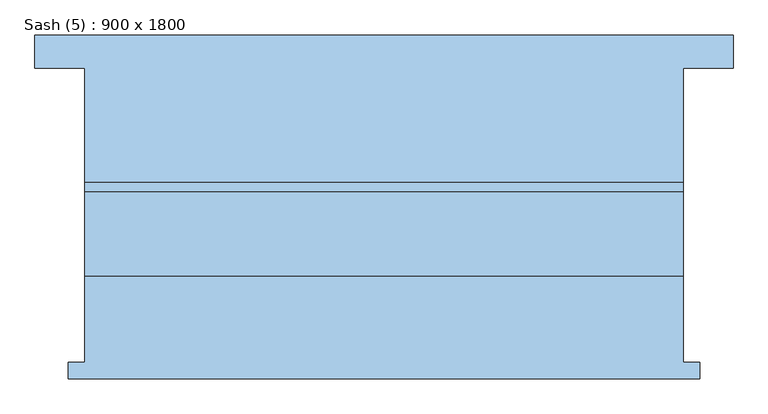
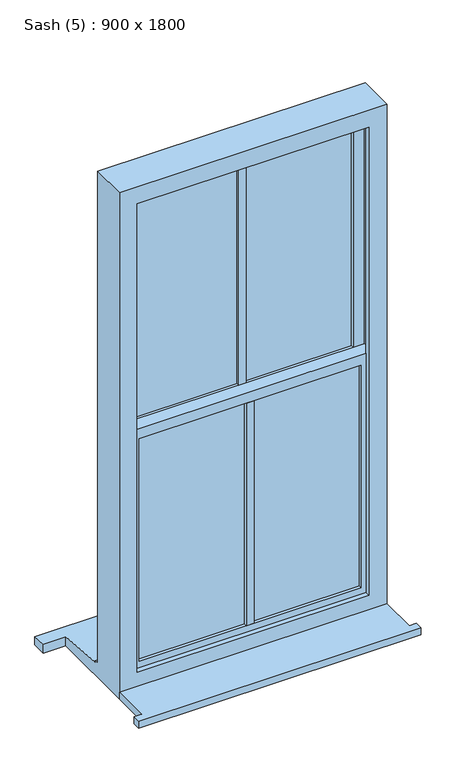
"""IFC4 building model written with IfcOpenShell, lengths in millimetres: window geometry, Sash (5) : 900 x 1800."""

import ifcopenshell
import ifcopenshell.guid

model = None  # the IFC model being written
_history = None  # IfcOwnerHistory: only IFC2X3 demands one
_inside = {}  # id of a spatial element -> (the spatial element, [elements in it])
_under = {}  # id of a project, library or spatial element -> (it, [spatial elements below it])
_declared = {}  # id of a project -> (the project, [libraries it declares])
_typed = {}  # id of a type object -> (the type object, [elements of that type])
_made_of = {}  # id of a material, layer set ... -> (it, [elements and type objects made of it])


def new_model(schema):
    """Start an empty IFC model of exactly this schema.

    Asked for "IFC4X3", IfcOpenShell would pick the latest addendum, in which some entities
    have other attributes; the version numbers below select the first issue.
    IFC2X3 requires an IfcOwnerHistory on every rooted entity: one is made here for all.
    """
    global model, _history
    if schema == "IFC4X3":
        model = ifcopenshell.file(schema_version=(4, 3, 0, 0))
    else:
        model = ifcopenshell.file(schema=schema)
    _inside.clear()
    _under.clear()
    _declared.clear()
    _typed.clear()
    _made_of.clear()
    _history = None
    if model.schema == "IFC2X3":
        org = make("IfcOrganization", Name="unknown")
        user = make(
            "IfcPersonAndOrganization",
            ThePerson=make("IfcPerson", FamilyName="unknown"),
            TheOrganization=org,
        )
        app = make(
            "IfcApplication",
            ApplicationDeveloper=org,
            Version="unknown",
            ApplicationFullName="unknown",
            ApplicationIdentifier="unknown",
        )
        _history = make(
            "IfcOwnerHistory",
            OwningUser=user,
            OwningApplication=app,
            ChangeAction="ADDED",
            CreationDate=0,
        )
    return model


def make(cls, **values):
    """One entity of the class cls with the attributes given. An attribute that is None is left unset."""
    return model.create_entity(
        cls, **{name: value for name, value in values.items() if value is not None}
    )


def rooted(cls, **values):
    """An entity with a GlobalId (a new one), such as an element, a storey or a relation."""
    return make(cls, GlobalId=ifcopenshell.guid.new(), OwnerHistory=_history, **values)


def si_unit(unit_type, name, prefix=None):
    """IfcSIUnit, for example si_unit("LENGTHUNIT", "METRE", prefix="MILLI")."""
    return make("IfcSIUnit", UnitType=unit_type, Prefix=prefix, Name=name)


def assignment(units):
    """IfcUnitAssignment: the units of a project."""
    return None if units is None else make("IfcUnitAssignment", Units=units)


def point(xyz):
    """IfcCartesianPoint."""
    return None if xyz is None else make("IfcCartesianPoint", Coordinates=xyz)


def direction(xyz):
    """IfcDirection."""
    return None if xyz is None else make("IfcDirection", DirectionRatios=xyz)


def frame(location, z_axis=None, x_axis=None):
    """IfcAxis2Placement3D, a coordinate frame: its origin and axes. An axis left out is left unset."""
    return make(
        "IfcAxis2Placement3D",
        Location=point(location),
        Axis=direction(z_axis),
        RefDirection=direction(x_axis),
    )


def origin():
    """The frame at (0, 0, 0) with its axes left unset."""
    return frame((0.0, 0.0, 0.0))


def place(relative_to, where):
    """IfcLocalPlacement: puts the frame where relative to a parent placement (None: the world)."""
    return make(
        "IfcLocalPlacement", PlacementRelTo=relative_to, RelativePlacement=where
    )


def context(
    kind, dimensions, precision=None, world=None, true_north=None, identifier=None
):
    """IfcGeometricRepresentationContext, for example the 3D "Model" context."""
    return make(
        "IfcGeometricRepresentationContext",
        ContextIdentifier=identifier,
        ContextType=kind,
        CoordinateSpaceDimension=dimensions,
        Precision=precision,
        WorldCoordinateSystem=world,
        TrueNorth=true_north,
    )


def project(units=None, contexts=None):
    """IfcProject with its units and contexts."""
    return rooted(
        "IfcProject",
        Name="project",
        RepresentationContexts=contexts,
        UnitsInContext=assignment(units),
    )


def spatial(cls, under=None, at=None, **own):
    """A site, building, storey or space (cls), placed at a placement, below another one or the project."""
    s = rooted(cls, ObjectPlacement=at, **own)
    if under is not None:
        _under.setdefault(under.id(), (under, []))[1].append(s)
    return s


def polyline(points):
    """IfcPolyline through the points."""
    return make("IfcPolyline", Points=[point(p) for p in points])


def outline(outer, holes=None, kind="AREA"):
    """IfcArbitraryClosedProfileDef: a profile drawn as a closed curve; with holes, ...WithVoids."""
    if holes is None:
        return make("IfcArbitraryClosedProfileDef", ProfileType=kind, OuterCurve=outer)
    return make(
        "IfcArbitraryProfileDefWithVoids",
        ProfileType=kind,
        OuterCurve=outer,
        InnerCurves=holes,
    )


def extrude(swept, where, along, depth):
    """IfcExtrudedAreaSolid: the profile swept, set in the frame where, extruded along a direction by depth."""
    return make(
        "IfcExtrudedAreaSolid",
        SweptArea=swept,
        Position=where,
        ExtrudedDirection=direction(along),
        Depth=depth,
    )


def faces_of(points, faces, orient=None, outer=None):
    """IfcFace entities. A face is a list of loops; a loop is a list of indices into points, from 0.

    orient and outer hold one flag for each loop. By default every Orientation is true, the
    first loop of a face is its IfcFaceOuterBound and the others are IfcFaceBound.
    """
    made = []
    for i, loops in enumerate(faces):
        bounds = []
        for j, loop in enumerate(loops):
            is_outer = j == 0 if outer is None else outer[i][j]
            bounds.append(
                make(
                    "IfcFaceOuterBound" if is_outer else "IfcFaceBound",
                    Bound=make("IfcPolyLoop", Polygon=[points[k] for k in loop]),
                    Orientation=True if orient is None else orient[i][j],
                )
            )
        made.append(make("IfcFace", Bounds=bounds))
    return made


def faceted_brep(points, faces, orient=None, outer=None, voids=None):
    """IfcFacetedBrep: a solid bounded by flat faces; with voids (closed shells), ...WithVoids."""
    shared = [point(p) for p in points]
    hull = make("IfcClosedShell", CfsFaces=faces_of(shared, faces, orient, outer))
    if voids is None:
        return make("IfcFacetedBrep", Outer=hull)
    return make(
        "IfcFacetedBrepWithVoids",
        Outer=hull,
        Voids=[
            make(cls, CfsFaces=faces_of(shared, fs, o, b)) for cls, fs, o, b in voids
        ],
    )


def shape(context_of_items, identifier, shape_type, items):
    """IfcShapeRepresentation: the items that make up one representation, for example the "Body"."""
    return make(
        "IfcShapeRepresentation",
        ContextOfItems=context_of_items,
        RepresentationIdentifier=identifier,
        RepresentationType=shape_type,
        Items=items,
    )


def source(mapping_origin, context_of_items, identifier, shape_type, items):
    """IfcRepresentationMap: a shape defined once, which mapped items show again and again."""
    return make(
        "IfcRepresentationMap",
        MappingOrigin=mapping_origin,
        MappedRepresentation=shape(context_of_items, identifier, shape_type, items),
    )


def transform(
    local_origin,
    x_axis=None,
    y_axis=None,
    z_axis=None,
    scale=None,
    scale2=None,
    scale3=None,
    uniform=True,
):
    """IfcCartesianTransformationOperator3D, or its non-uniform kind. x_axis, y_axis, z_axis: its Axis1, 2, 3."""
    if uniform:
        return make(
            "IfcCartesianTransformationOperator3D",
            Axis1=direction(x_axis),
            Axis2=direction(y_axis),
            LocalOrigin=point(local_origin),
            Scale=scale,
            Axis3=direction(z_axis),
        )
    return make(
        "IfcCartesianTransformationOperator3DnonUniform",
        Axis1=direction(x_axis),
        Axis2=direction(y_axis),
        LocalOrigin=point(local_origin),
        Scale=scale,
        Axis3=direction(z_axis),
        Scale2=scale2,
        Scale3=scale3,
    )


def mapped(mapping_source, mapping_target):
    """IfcMappedItem: shows the shape of a source again, moved by a transform."""
    return make(
        "IfcMappedItem", MappingSource=mapping_source, MappingTarget=mapping_target
    )


def made_of(thing, what):
    """Note that an element or type object is made of a material, layer set ...; save() writes the relation."""
    if what is not None:
        _made_of.setdefault(what.id(), (what, []))[1].append(thing)
    return thing


def element(
    cls,
    number,
    at=None,
    inside=None,
    cuts=None,
    type_object=None,
    material=None,
    context=None,
    identifier="Body",
    shape_type=None,
    held_by="IfcProductDefinitionShape",
    body=None,
    shapes=None,
    **own,
):
    """One element of the class cls, such as IfcWall. Its Tag is "e" and its number.

    at: its placement. inside: the storey or other place that contains it. cuts: it is an
    opening in that element (IfcRelVoidsElement). A single representation is given by context,
    identifier, shape_type and body (its items); several are given by shapes. held_by: the class
    of the entity that holds the representations. save() writes the other relations.
    """
    e = rooted(cls, Tag="e%d" % number, ObjectPlacement=at, **own)
    if body is not None:
        shapes = [shape(context, identifier, shape_type, body)]
    if shapes is not None:
        e.Representation = make(held_by, Representations=shapes)
    if inside is not None:
        _inside.setdefault(inside.id(), (inside, []))[1].append(e)
    if cuts is not None:
        rooted(
            "IfcRelVoidsElement", RelatingBuildingElement=cuts, RelatedOpeningElement=e
        )
    if type_object is not None:
        _typed.setdefault(type_object.id(), (type_object, []))[1].append(e)
    return made_of(e, material)


def aggregate(whole, parts):
    """IfcRelAggregates: a whole, such as a stair, and the parts it consists of."""
    return rooted("IfcRelAggregates", RelatingObject=whole, RelatedObjects=parts)


def save(model, path):
    """Write the relations noted so far, then the file.

    IfcRelAggregates (storeys below a building ...), IfcRelContainedInSpatialStructure (elements
    in a storey), IfcRelDefinesByType, IfcRelAssociatesMaterial and IfcRelDeclares: one each for
    every whole, place, type object, material and project.
    """
    for whole, parts in _under.values():
        aggregate(whole, parts)
    for where, things in _inside.values():
        rooted(
            "IfcRelContainedInSpatialStructure",
            RelatedElements=things,
            RelatingStructure=where,
        )
    for kind, things in _typed.values():
        rooted("IfcRelDefinesByType", RelatedObjects=things, RelatingType=kind)
    for what, things in _made_of.values():
        rooted("IfcRelAssociatesMaterial", RelatedObjects=things, RelatingMaterial=what)
    for by, libraries in _declared.values():
        rooted("IfcRelDeclares", RelatingContext=by, RelatedDefinitions=libraries)
    model.write(path)


def sash_5_900_x_1800_c96e4e61(model_context):
    return source(origin(), model_context, "Body", "SolidModel", [
        extrude(outline(polyline([(-475.0, -195.0), (-475.0, -170.0), (-450.0, -170.0), (-450.0, -40.5), (450.0, -40.5), (450.0, -170.0), (475.0, -170.0), (475.0, -195.0), (-475.0, -195.0)])), frame((0.0, 0.0, 760.0), z_axis=(0.0, 0.0, 1.0), x_axis=(1.0, 0.0, 0.0)), (0.0, 0.0, 1.0), 25.0),
        faceted_brep([(410.0, 22.5, 2520.0), (410.0, 67.5, 2520.0), (-410.0, 67.5, 2520.0), (-410.0, 22.5, 2520.0), (373.0, 33.0, 2483.0), (373.0, 22.5, 2483.0), (-373.0, 22.5, 2483.0), (-373.0, 33.0, 2483.0), (383.0, 57.0, 2493.0), (383.0, 33.0, 2493.0), (-383.0, 33.0, 2493.0), (-383.0, 57.0, 2493.0), (373.0, 67.5, 2483.0), (373.0, 57.0, 2483.0), (-373.0, 57.0, 2483.0), (-373.0, 67.5, 2483.0), (-410.0, 67.5, 1597.5), (-410.0, 22.5, 1597.5), (-373.0, 22.5, 1684.5), (-373.0, 33.0, 1684.5), (-383.0, 33.0, 1674.5), (-383.0, 57.0, 1674.5), (-373.0, 57.0, 1684.5), (-373.0, 67.5, 1684.5), (383.0, 67.5, 1647.5), (383.0, 22.5, 1647.5), (-383.0, 22.5, 1647.5), (-383.0, 67.5, 1647.5), (373.0, 22.5, 1684.5), (373.0, 33.0, 1684.5), (383.0, 33.0, 1674.5), (383.0, 57.0, 1674.5), (373.0, 57.0, 1684.5), (373.0, 67.5, 1684.5), (410.0, 22.5, 1597.5), (410.0, 67.5, 1597.5), (-390.0, 22.5, 1597.5), (390.0, 22.5, 1597.5), (390.0, 67.5, 1597.5), (-390.0, 67.5, 1597.5)], [[[0, 1, 2, 3]], [[4, 5, 6, 7]], [[8, 9, 10, 11]], [[12, 13, 14, 15]], [[3, 2, 16, 17]], [[7, 6, 18, 19]], [[11, 10, 20, 21]], [[15, 14, 22, 23]], [[24, 25, 26, 27]], [[19, 18, 28, 29]], [[21, 20, 30, 31]], [[23, 22, 32, 33]], [[1, 0, 34, 35]], [[0, 3, 17, 36, 26, 25, 37, 34], [6, 5, 28, 18]], [[5, 4, 29, 28]], [[10, 9, 30, 20], [4, 7, 19, 29]], [[9, 8, 31, 30]], [[8, 11, 21, 31], [14, 13, 32, 22]], [[13, 12, 33, 32]], [[16, 2, 1, 35, 38, 24, 27, 39], [12, 15, 23, 33]], [[37, 38, 35, 34]], [[38, 37, 25, 24]], [[36, 17, 16, 39]], [[36, 39, 27, 26]]]),
        extrude(outline(polyline([(-12.5, 22.5), (-12.5, 67.5), (12.5, 67.5), (12.5, 22.5), (-12.5, 22.5)])), frame((0.0, 0.0, 1684.5), z_axis=(0.0, 0.0, 1.0), x_axis=(1.0, 0.0, 0.0)), (0.0, 0.0, 1.0), 798.5),
        extrude(outline(polyline([(12.5, 22.5), (12.5, -22.5), (-12.5, -22.5), (-12.5, 22.5), (12.5, 22.5)])), frame((0.0, 0.0, 858.0), z_axis=(0.0, 0.0, 1.0), x_axis=(1.0, 0.0, 0.0)), (0.0, 0.0, 1.0), 790.0),
        extrude(outline(polyline([(383.0, 33.0), (-383.0, 33.0), (-383.0, 57.0), (383.0, 57.0), (383.0, 33.0)])), frame((0.0, 0.0, 1674.5), z_axis=(0.0, 0.0, 1.0), x_axis=(1.0, 0.0, 0.0)), (0.0, 0.0, 1.0), 818.5),
        extrude(outline(polyline([(383.0, -12.0), (-383.0, -12.0), (-383.0, 12.0), (383.0, 12.0), (383.0, -12.0)])), frame((0.0, 0.0, 848.0), z_axis=(0.0, 0.0, 1.0), x_axis=(1.0, 0.0, 0.0)), (0.0, 0.0, 1.0), 810.0),
        faceted_brep([(373.0, -12.0, 1648.0), (373.0, -22.5, 1648.0), (-373.0, -22.5, 1648.0), (-373.0, -12.0, 1648.0), (383.0, 12.0, 1658.0), (383.0, -12.0, 1658.0), (-383.0, -12.0, 1658.0), (-383.0, 12.0, 1658.0), (373.0, 22.5, 1648.0), (373.0, 12.0, 1648.0), (-373.0, 12.0, 1648.0), (-373.0, 22.5, 1648.0), (410.0, -22.5, 1685.0), (410.0, 22.5, 1685.0), (-410.0, 22.5, 1685.0), (-410.0, -22.5, 1685.0), (-373.0, -22.5, 858.0), (-373.0, -12.0, 858.0), (-383.0, -12.0, 848.0), (-383.0, 12.0, 848.0), (-373.0, 12.0, 858.0), (-373.0, 22.5, 858.0), (-410.0, 22.5, 821.0), (-410.0, -22.5, 821.0), (373.0, -22.5, 858.0), (373.0, -12.0, 858.0), (383.0, -12.0, 848.0), (383.0, 12.0, 848.0), (373.0, 12.0, 858.0), (373.0, 22.5, 858.0), (410.0, 22.5, 821.0), (410.0, -22.5, 821.0)], [[[0, 1, 2, 3]], [[4, 5, 6, 7]], [[8, 9, 10, 11]], [[12, 13, 14, 15]], [[3, 2, 16, 17]], [[7, 6, 18, 19]], [[11, 10, 20, 21]], [[15, 14, 22, 23]], [[17, 16, 24, 25]], [[19, 18, 26, 27]], [[21, 20, 28, 29]], [[23, 22, 30, 31]], [[15, 23, 31, 12], [1, 24, 16, 2]], [[25, 24, 1, 0]], [[5, 26, 18, 6], [3, 17, 25, 0]], [[27, 26, 5, 4]], [[7, 19, 27, 4], [9, 28, 20, 10]], [[29, 28, 9, 8]], [[13, 30, 22, 14], [11, 21, 29, 8]], [[31, 30, 13, 12]]]),
        faceted_brep([(450.0, 85.5, 2560.0), (450.0, -40.5, 2560.0), (450.0, -40.5, 760.0), (450.0, 272.5, 760.0), (450.0, 272.5, 793.0606559), (450.0, 100.5, 806.6), (450.0, 100.5, 811.0), (450.0, 85.5, 811.0), (-450.0, -40.5, 2560.0), (-450.0, -40.5, 760.0), (-390.0, -40.5, 2500.0), (390.0, -40.5, 2500.0), (390.0, -40.5, 835.0), (-390.0, -40.5, 835.0), (390.0, -22.5, 2500.0), (390.0, -22.5, 835.0), (-410.0, -22.5, 2520.0), (410.0, -22.5, 2520.0), (410.0, -22.5, 823.0), (-410.0, -22.5, 823.0), (-390.0, -22.5, 2500.0), (-390.0, -22.5, 835.0), (410.0, 67.5, 2520.0), (410.0, 67.5, 823.0), (-410.0, 67.5, 2520.0), (-410.0, 67.5, 823.0), (-390.0, 67.5, 823.0), (-390.0, 67.5, 2500.0), (390.0, 67.5, 2500.0), (390.0, 67.5, 823.0), (390.0, 85.5, 2500.0), (390.0, 85.5, 823.0), (-450.0, 85.5, 811.0), (-450.0, 85.5, 2560.0), (-390.0, 85.5, 2500.0), (-390.0, 85.5, 823.0), (-450.0, 100.5, 811.0), (-450.0, 100.5, 806.6), (-450.0, 272.5, 793.0606559), (-450.0, 272.5, 760.0), (-525.0, 322.5, 789.1248), (-525.0, 322.5, 760.0), (-525.0, 272.5, 760.0), (-525.0, 272.5, 793.0606559), (525.0, 322.5, 760.0), (525.0, 322.5, 789.1248), (525.0, 272.5, 793.0606559), (525.0, 272.5, 760.0)], [[[0, 1, 2, 3, 4, 5, 6, 7]], [[2, 1, 8, 9], [10, 11, 12, 13]], [[11, 14, 15, 12]], [[16, 17, 18, 19], [14, 20, 21, 15]], [[17, 22, 23, 18]], [[22, 24, 25, 26, 27, 28, 29, 23]], [[28, 30, 31, 29]], [[32, 33, 0, 7], [30, 34, 35, 31]], [[1, 0, 33, 8]], [[11, 10, 20, 14]], [[17, 16, 24, 22]], [[28, 27, 34, 30]], [[8, 33, 32, 36, 37, 38, 39, 9]], [[20, 10, 13, 21]], [[24, 16, 19, 25]], [[34, 27, 26, 35]], [[40, 41, 42, 43]], [[44, 45, 46, 47]], [[15, 21, 13, 12]], [[31, 35, 26, 25, 19, 18, 23, 29]], [[32, 7, 6, 36]], [[36, 6, 5, 37]], [[45, 40, 43, 38, 37, 5, 4, 46]], [[41, 40, 45, 44]], [[41, 44, 47, 3, 2, 9, 39, 42]], [[39, 38, 43, 42]], [[4, 3, 47, 46]]]),
    ])


if __name__ == "__main__":
    model = new_model("IFC4")
    model_context = context("Model", 3, world=origin())
    ifc_project = project(units=[si_unit("LENGTHUNIT", "METRE", prefix="MILLI")], contexts=[model_context])
    site = spatial("IfcSite", under=ifc_project)
    building = spatial("IfcBuilding", under=site)
    placement = place(None, origin())
    sash_5_900_x_1800_shape = sash_5_900_x_1800_c96e4e61(model_context)
    element("IfcWindow", 1, ObjectType="Sash (5) : 900 x 1800", at=placement, inside=building, context=model_context, shape_type="MappedRepresentation", body=[
        mapped(sash_5_900_x_1800_shape, transform((0.0, 0.0, 0.0), x_axis=(1.0, 0.0, 0.0), y_axis=(0.0, 1.0, 0.0), z_axis=(0.0, 0.0, 1.0))),
    ])
    save(model, "model.ifc")
